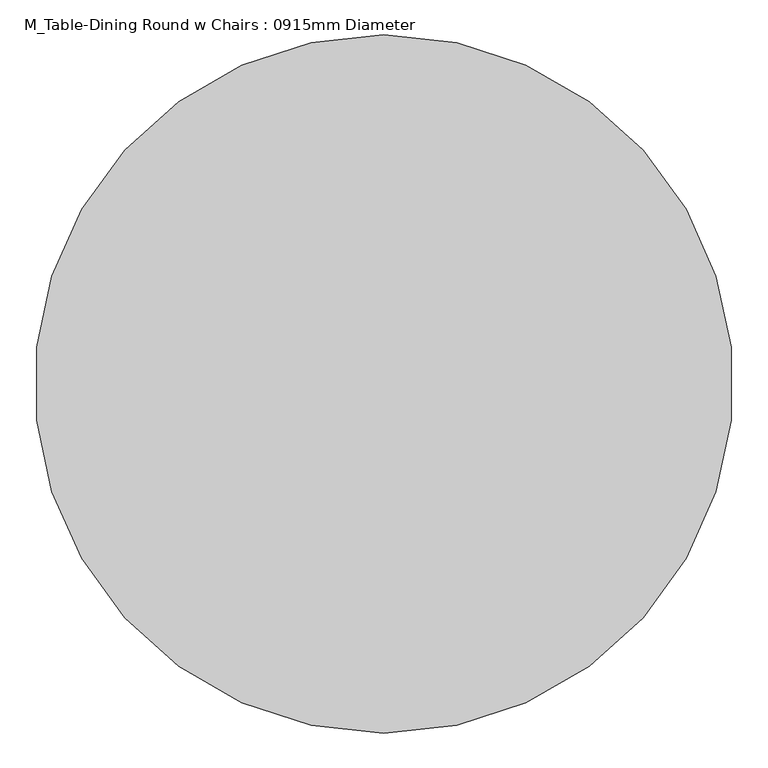
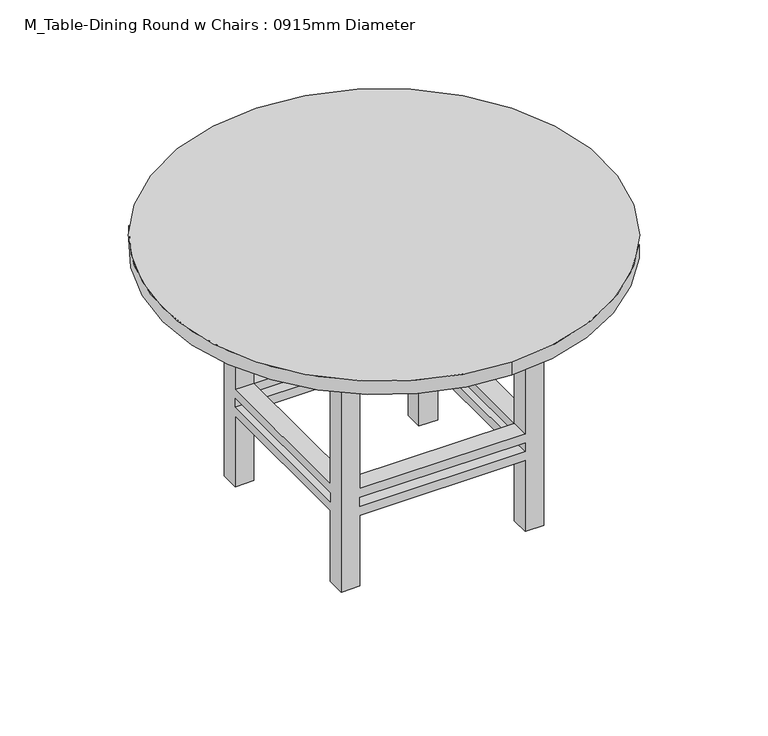
"""IFC4 building model written with IfcOpenShell, lengths in millimetres: furniture geometry, M_Table-Dining Round w Chairs : 0915mm Diameter."""

from ifc_helpers import new_model, si_unit, point, frame, frame_2d, origin, place, context, project, spatial, polyline, circle_curve, trimmed, segment, composite_curve, outline, extrude, faceted_brep, source, transform, mapped, element, save


def m_table_dining_round_w_chairs_0915mm_diameter_1926b881(model_context):
    return source(origin(), model_context, "Body", "SolidModel", [
        faceted_brep([(-120.1180328, 89.7213115, 647.7), (-170.9180328, 89.7213115, 647.7), (-170.9180328, 38.9213115, 647.7), (-120.1180328, 38.9213115, 647.7), (327.4819672, 89.7213115, 647.7), (327.4819672, 38.9213115, 647.7), (378.2819672, 38.9213115, 647.7), (378.2819672, 89.7213115, 647.7), (327.4819672, -459.4786885, 647.7), (378.2819672, -459.4786885, 647.7), (378.2819672, -408.6786885, 647.7), (327.4819672, -408.6786885, 647.7), (-120.1180328, -459.4786885, 647.7), (-120.1180328, -408.6786885, 647.7), (-170.9180328, -408.6786885, 647.7), (-170.9180328, -459.4786885, 647.7), (-120.1180328, 89.7213115, 0.0), (-120.1180328, 38.9213115, 0.0), (-170.9180328, 38.9213115, 0.0), (-170.9180328, 89.7213115, 0.0), (327.4819672, 89.7213115, 0.0), (378.2819672, 89.7213115, 0.0), (378.2819672, 38.9213115, 0.0), (327.4819672, 38.9213115, 0.0), (327.4819672, -459.4786885, 0.0), (327.4819672, -408.6786885, 0.0), (378.2819672, -408.6786885, 0.0), (378.2819672, -459.4786885, 0.0), (-120.1180328, -459.4786885, 0.0), (-170.9180328, -459.4786885, 0.0), (-170.9180328, -408.6786885, 0.0), (-120.1180328, -408.6786885, 0.0), (-120.1180328, 89.7213115, 279.4), (327.4819672, 89.7213115, 279.4), (327.4819672, 89.7213115, 203.2), (-120.1180328, 89.7213115, 203.2), (327.4819672, 89.7213115, 228.6), (327.4819672, 89.7213115, 254.0), (-120.1180328, 89.7213115, 254.0), (-120.1180328, 89.7213115, 228.6), (-170.9180328, 38.9213115, 203.2), (-170.9180328, -408.6786885, 203.2), (-170.9180328, -408.6786885, 279.4), (-170.9180328, 38.9213115, 279.4), (-170.9180328, 38.9213115, 228.6), (-170.9180328, 38.9213115, 254.0), (-170.9180328, -408.6786885, 254.0), (-170.9180328, -408.6786885, 228.6), (-120.1180328, 38.9213115, 279.4), (-120.1180328, 38.9213115, 203.2), (-120.1180328, 38.9213115, 228.6), (-120.1180328, 38.9213115, 254.0), (327.4819672, 38.9213115, 279.4), (327.4819672, 38.9213115, 203.2), (327.4819672, 38.9213115, 228.6), (327.4819672, 38.9213115, 254.0), (378.2819672, 38.9213115, 279.4), (378.2819672, 38.9213115, 203.2), (378.2819672, 38.9213115, 228.6), (378.2819672, 38.9213115, 254.0), (378.2819672, -408.6786885, 279.4), (378.2819672, -408.6786885, 203.2), (378.2819672, -408.6786885, 228.6), (378.2819672, -408.6786885, 254.0), (327.4819672, -459.4786885, 279.4), (-120.1180328, -459.4786885, 279.4), (-120.1180328, -459.4786885, 203.2), (327.4819672, -459.4786885, 203.2), (-120.1180328, -459.4786885, 228.6), (-120.1180328, -459.4786885, 254.0), (327.4819672, -459.4786885, 254.0), (327.4819672, -459.4786885, 228.6), (327.4819672, -408.6786885, 279.4), (327.4819672, -408.6786885, 203.2), (327.4819672, -408.6786885, 228.6), (327.4819672, -408.6786885, 254.0), (-120.1180328, -408.6786885, 279.4), (-120.1180328, -408.6786885, 203.2), (-120.1180328, -408.6786885, 228.6), (-120.1180328, -408.6786885, 254.0)], [[[0, 1, 2, 3]], [[4, 5, 6, 7]], [[8, 9, 10, 11]], [[12, 13, 14, 15]], [[16, 17, 18, 19]], [[20, 21, 22, 23]], [[24, 25, 26, 27]], [[28, 29, 30, 31]], [[1, 0, 32, 33, 4, 7, 21, 20, 34, 35, 16, 19], [36, 37, 38, 39]], [[2, 1, 19, 18, 40, 41, 30, 29, 15, 14, 42, 43], [44, 45, 46, 47]], [[3, 2, 43, 48]], [[18, 17, 49, 40]], [[44, 50, 51, 45]], [[0, 3, 48, 32]], [[17, 16, 35, 49]], [[50, 39, 38, 51]], [[5, 4, 33, 52]], [[20, 23, 53, 34]], [[36, 54, 55, 37]], [[6, 5, 52, 56]], [[23, 22, 57, 53]], [[54, 58, 59, 55]], [[21, 7, 6, 56, 60, 10, 9, 27, 26, 61, 57, 22], [62, 63, 59, 58]], [[27, 9, 8, 64, 65, 12, 15, 29, 28, 66, 67, 24], [68, 69, 70, 71]], [[11, 10, 60, 72]], [[26, 25, 73, 61]], [[62, 74, 75, 63]], [[8, 11, 72, 64]], [[25, 24, 67, 73]], [[74, 71, 70, 75]], [[13, 12, 65, 76]], [[28, 31, 77, 66]], [[68, 78, 79, 69]], [[14, 13, 76, 42]], [[31, 30, 41, 77]], [[78, 47, 46, 79]], [[54, 74, 62, 58]], [[74, 78, 68, 71]], [[78, 50, 44, 47]], [[50, 54, 36, 39]], [[53, 49, 35, 34]], [[49, 77, 41, 40]], [[77, 73, 67, 66]], [[73, 53, 57, 61]], [[74, 54, 53, 73]], [[78, 74, 73, 77]], [[50, 78, 77, 49]], [[54, 50, 49, 53]], [[52, 72, 60, 56]], [[72, 76, 65, 64]], [[76, 48, 43, 42]], [[48, 52, 33, 32]], [[55, 51, 38, 37]], [[51, 79, 46, 45]], [[79, 75, 70, 69]], [[75, 55, 59, 63]], [[72, 52, 55, 75]], [[76, 72, 75, 79]], [[48, 76, 79, 51]], [[52, 48, 51, 55]]]),
        extrude(outline(polyline([(403.6819672, 115.1213115), (403.6819672, -484.8786885), (-196.3180328, -484.8786885), (-196.3180328, 115.1213115), (403.6819672, 115.1213115)]), holes=[polyline([(378.2819672, 89.7213115), (-170.9180328, 89.7213115), (-170.9180328, -459.4786885), (378.2819672, -459.4786885), (378.2819672, 89.7213115)])]), frame((0.0, 0.0, 647.7), z_axis=(0.0, 0.0, 1.0), x_axis=(1.0, 0.0, 0.0)), (0.0, 0.0, 1.0), 76.2),
        extrude(outline(composite_curve([segment(trimmed(circle_curve(frame_2d((103.6819672, -184.8786885)), 600.0), [point((103.6819672, -784.8786885))], [point((103.6819672, 415.1213115))], False, "CARTESIAN"), True, "CONTINUOUS"), segment(trimmed(circle_curve(frame_2d((103.6819672, -184.8786885)), 600.0), [point((103.6819672, 415.1213115))], [point((103.6819672, -784.8786885))], False, "CARTESIAN"), True, "CONTINUOUS")], self_intersect=False)), frame((0.0, 0.0, 723.9), z_axis=(0.0, 0.0, 1.0), x_axis=(1.0, 0.0, 0.0)), (0.0, 0.0, 1.0), 38.1),
    ])


if __name__ == "__main__":
    model = new_model("IFC4")
    model_context = context("Model", 3, world=origin())
    ifc_project = project(units=[si_unit("LENGTHUNIT", "METRE", prefix="MILLI")], contexts=[model_context])
    site = spatial("IfcSite", under=ifc_project)
    building = spatial("IfcBuilding", under=site)
    placement = place(None, origin())
    m_table_dining_round_w_chairs_0915mm_diameter_shape = m_table_dining_round_w_chairs_0915mm_diameter_1926b881(model_context)
    element("IfcFurniture", 1, ObjectType="M_Table-Dining Round w Chairs : 0915mm Diameter", at=placement, inside=building, context=model_context, shape_type="MappedRepresentation", body=[
        mapped(m_table_dining_round_w_chairs_0915mm_diameter_shape, transform((0.0, 0.0, 0.0), x_axis=(1.0, 0.0, 0.0), y_axis=(0.0, 1.0, 0.0), z_axis=(0.0, 0.0, 1.0))),
    ])
    save(model, "model.ifc")
